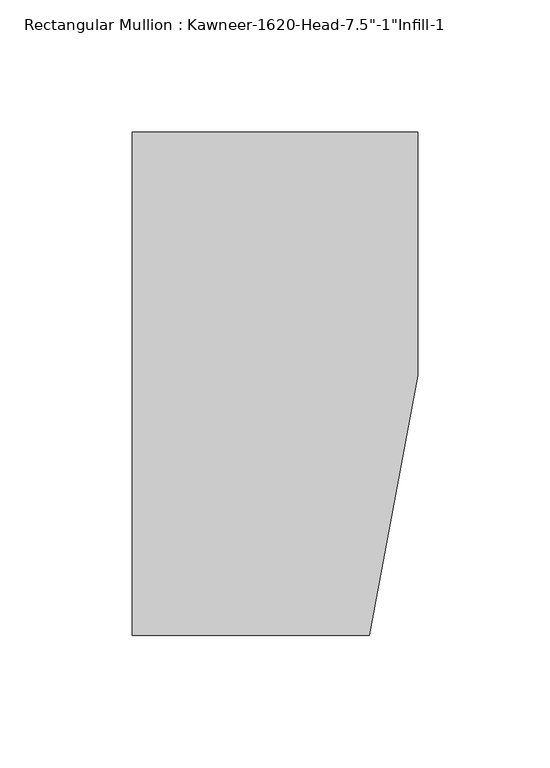
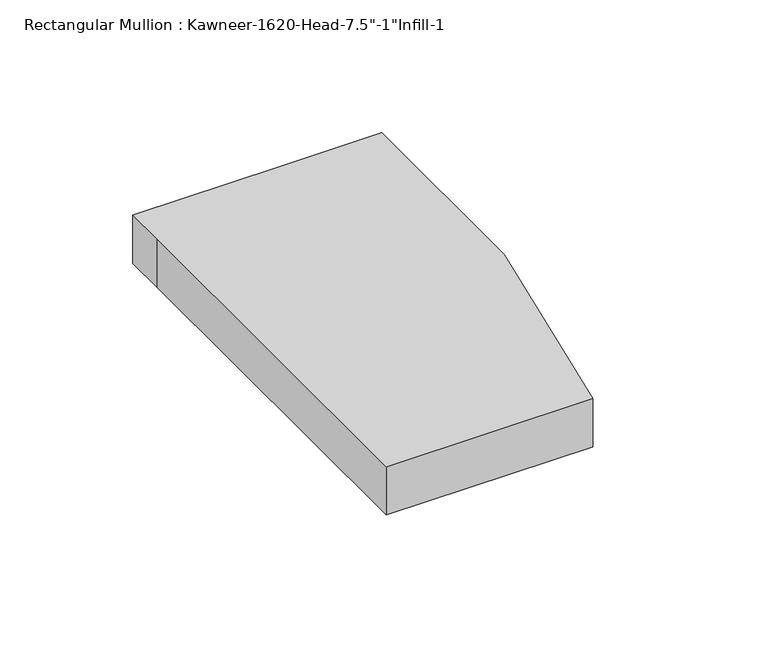
"""IFC4 building model written with IfcOpenShell, lengths in millimetres: member geometry."""

from ifc_helpers import new_model, si_unit, frame, origin, place, context, project, spatial, polyline, outline, extrude, source, transform, mapped, element, save


def member_db2269e2(model_context):
    return source(origin(), model_context, "Body", "SweptSolid", [
        extrude(outline(polyline([(-107.95, 19.9095466), (-107.95, 38.1), (-44.1519366, 38.1), (0.0, 38.1), (0.0, -53.975), (-18.3538271, -152.4), (-107.95, -152.4), (-107.95, 19.9095466)])), frame((0.0, 0.0, -22.225), z_axis=(0.0, 0.0, 1.0), x_axis=(1.0, 0.0, 0.0)), (0.0, 0.0, 1.0), 22.225),
    ])


if __name__ == "__main__":
    model = new_model("IFC4")
    model_context = context("Model", 3, world=origin())
    ifc_project = project(units=[si_unit("LENGTHUNIT", "METRE", prefix="MILLI")], contexts=[model_context])
    site = spatial("IfcSite", under=ifc_project)
    building = spatial("IfcBuilding", under=site)
    placement = place(None, origin())
    member_shape = member_db2269e2(model_context)
    element("IfcMember", 1, ObjectType="Rectangular Mullion : Kawneer-1620-Head-7.5\"-1\"Infill-1", at=placement, inside=building, context=model_context, shape_type="MappedRepresentation", body=[
        mapped(member_shape, transform((0.0, 0.0, 0.0), x_axis=(1.0, 0.0, 0.0), y_axis=(0.0, 1.0, 0.0), z_axis=(0.0, 0.0, 1.0))),
    ])
    save(model, "model.ifc")
